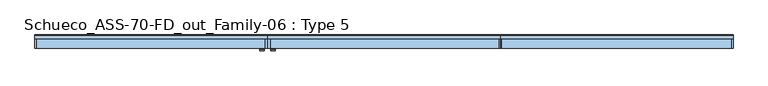
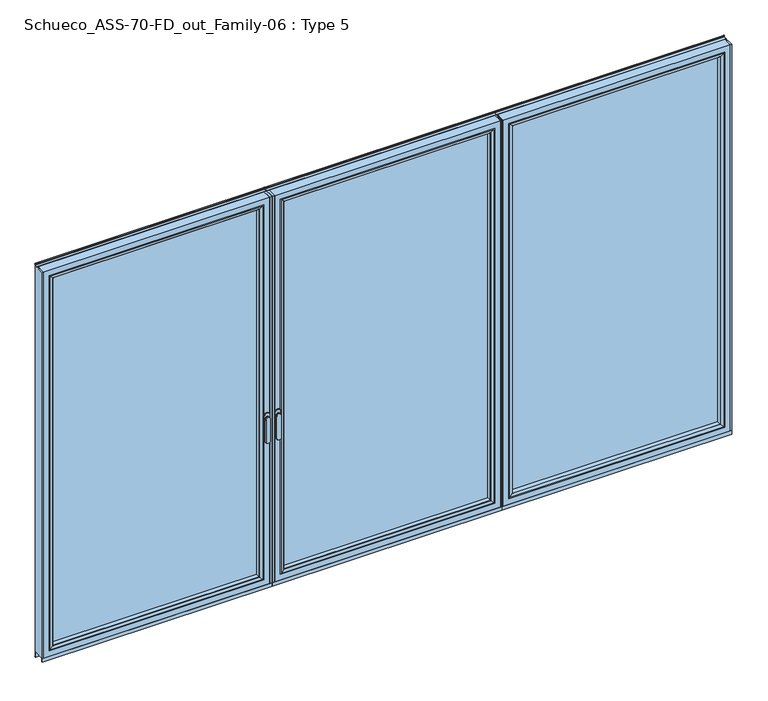
"""IFC4 building model written with IfcOpenShell, lengths in millimetres: window geometry, Schueco_ASS-70-FD_out_Family-06 : Type 5."""

from ifc_helpers import new_model, si_unit, point, frame, frame_2d, origin, place, context, project, spatial, polyline, circle_curve, ellipse_curve, trimmed, segment, composite_curve, outline, extrude, source, transform, mapped, element, save
from ifc_brep_helpers import plane_surface, cylinder_surface, extruded_surface, advanced_brep


def schueco_ass_70_fd_out_family_06_type_5_b85da7ad(model_context):
    return source(origin(), model_context, "Body", "SolidModel", [
        advanced_brep(
        [(42.2886308, -73.5, 1050.0), (18.3113692, -73.5, 1050.0), (42.2886308, -76.8965533, 1050.0), (18.3113692, -76.8965533, 1050.0), (42.2886308, -84.5, 1050.0), (18.3113692, -84.5, 1050.0), (18.3113692, -84.5, 918.6867153), (42.2886308, -84.5, 918.6867153), (42.2886308, -76.8965533, 918.6867153), (18.3113692, -76.8965533, 918.6867153)],
        [
            (0, 1, circle_curve(frame((30.3, -73.5, 1050.0), z_axis=(0.0, 1.0, 0.0), x_axis=(-1.0, 0.0, 0.0)), 11.9886308)),
            (1, 0, circle_curve(frame((30.3, -73.5, 1050.0), z_axis=(0.0, 1.0, 0.0), x_axis=(-1.0, 0.0, 0.0)), 11.9886308)),
            (0, 2),
            (2, 3, circle_curve(frame((30.3, -76.8965533, 1050.0), z_axis=(0.0, 1.0, 0.0), x_axis=(-1.0, 0.0, 0.0)), 11.9886308)),
            (3, 1),
            (3, 2, circle_curve(frame((30.3, -76.8965533, 1050.0), z_axis=(0.0, 1.0, 0.0), x_axis=(-1.0, 0.0, 0.0)), 11.9886308)),
            (4, 5, circle_curve(frame((30.3, -84.5, 1050.0), z_axis=(0.0, -1.0, 0.0), x_axis=(-1.0, 0.0, 0.0)), 11.9886308)),
            (5, 6),
            (6, 7, ellipse_curve(frame((30.3, -84.5, 918.6867153), z_axis=(0.0, -1.0, 0.0), x_axis=(1.0, 0.0, 0.0)), 11.9886308, 7.9050795)),
            (7, 4),
            (2, 8),
            (8, 9, ellipse_curve(frame((30.3, -76.8965533, 918.6867153), z_axis=(0.0, 1.0, 0.0), x_axis=(1.0, 0.0, 0.0)), 11.9886308, 7.9050795)),
            (9, 3),
            (7, 8),
            (2, 4),
            (6, 9),
            (5, 3),
        ],
        [
            plane_surface(frame((18.3113692, -73.5, 1050.0), z_axis=(0.0, 1.0, 0.0), x_axis=(0.0, 0.0, -1.0))),
            cylinder_surface(frame((30.3, -73.5, 1050.0), z_axis=(0.0, -1.0, 0.0), x_axis=(-1.0, 0.0, 0.0)), 11.9886308),
            plane_surface(frame((42.2886308, -84.5, 928.3382074), z_axis=(0.0, -1.0, 0.0), x_axis=(0.0, 0.0, -1.0))),
            plane_surface(frame((42.2886308, -76.8965533, 928.3382074), z_axis=(0.0, 1.0, 0.0), x_axis=(0.0, 0.0, 1.0))),
            plane_surface(frame((42.2886308, -84.5, 1050.0), z_axis=(1.0, 0.0, 0.0), x_axis=(0.0, 1.0, 0.0))),
            extruded_surface(trimmed(ellipse_curve(frame((30.3, -76.8965533, 918.6867153), z_axis=(0.0, 1.0, 0.0), x_axis=(1.0, 0.0, 0.0)), 11.9886308, 7.9050795), [point((42.2886308, -76.8965533, 918.6867153))], [point((18.3113692, -76.8965533, 918.6867153))], True, "CARTESIAN"), (0.0, 7.603446699999992, 0.0), 7.603446699999992),
            plane_surface(frame((18.3113692, -84.5, 918.6867153), z_axis=(-1.0, 0.0, 0.0), x_axis=(0.0, 1.0, 0.0))),
            cylinder_surface(frame((30.3, -76.8965533, 1050.0), z_axis=(0.0, -1.0, 0.0), x_axis=(-1.0, 0.0, 0.0)), 11.9886308),
        ],
        [
            (0, [[1, 2]]),
            (1, [[3, 4, 5, -1]]),
            (1, [[-5, 6, -3, -2]]),
            (2, [[7, 8, 9, 10]]),
            (3, [[-4, 11, 12, 13]]),
            (4, [[14, -11, 15, -10]]),
            (5, [[16, -12, -14, -9]]),
            (6, [[17, -13, -16, -8]]),
            (7, [[-15, -6, -17, -7]]),
        ],
    ),
        extrude(outline(composite_curve([segment(trimmed(circle_curve(frame_2d((1068.75, 30.3)), 14.0), [point((1068.75, 44.3))], [point((1068.75, 16.3))], False, "CARTESIAN"), True, "CONTINUOUS"), segment(polyline([(1068.75, 16.3), (1031.25, 16.3)]), True, "CONTINUOUS"), segment(trimmed(circle_curve(frame_2d((1031.25, 30.3)), 14.0), [point((1031.25, 16.3))], [point((1031.25, 44.3))], False, "CARTESIAN"), True, "CONTINUOUS"), segment(polyline([(1031.25, 44.3), (1068.75, 44.3)]), True, "CONTINUOUS")], self_intersect=False)), frame((0.0, -73.5, 0.0), z_axis=(0.0, 1.0, 0.0), x_axis=(0.0, 0.0, 1.0)), (0.0, 0.0, 1.0), 3.5),
        extrude(outline(polyline([(1272.9333333, 0.0), (1272.9333333, -70.0), (1266.9333333, -70.0), (1266.9333333, 0.0), (1272.9333333, 0.0)])), frame((0.0, 0.0, 75.0), z_axis=(0.0, 0.0, 1.0), x_axis=(1.0, 0.0, 0.0)), (0.0, 0.0, 1.0), 2262.0),
        extrude(outline(polyline([(0.0, 0.0), (14.3, 0.0), (14.3, -70.0), (0.0, -70.0), (0.0, 0.0)])), frame((0.0, 0.0, 75.0), z_axis=(0.0, 0.0, 1.0), x_axis=(1.0, 0.0, 0.0)), (0.0, 0.0, 1.0), 2262.0),
        extrude(outline(polyline([(1234.9333333, -13.999939), (1234.9333333, -37.9928974), (46.3, -37.9928974), (46.3, -13.999939), (1234.9333333, -13.999939)])), frame((0.0, 0.0, 107.0), z_axis=(0.0, 0.0, 1.0), x_axis=(1.0, 0.0, 0.0)), (0.0, 0.0, 1.0), 2198.0),
        advanced_brep(
        [(68.2995728, -64.5552044, 2283.0004272), (68.2995728, -64.5552044, 128.9995728), (68.2995728, -37.9928974, 128.9995728), (68.2995728, -37.9928974, 2283.0004272), (46.3, -37.9928974, 2305.0), (1234.9333333, -37.9928974, 2305.0), (1234.9333333, -37.9928974, 107.0), (46.3, -37.9928974, 107.0), (1212.9337606, -37.9928974, 2283.0004272), (1212.9337606, -37.9928974, 128.9995728), (1212.9337606, -64.5552044, 128.9995728), (67.5900293, -65.8045072, 2283.7099707), (67.5900293, -65.8045072, 128.2900293), (1213.643304, -65.8045072, 128.2900293), (52.299939, -70.0, 2299.000061), (52.299939, -70.0, 112.999939), (1228.9333944, -70.0, 112.999939), (1234.9333333, -70.0, 2305.0), (46.3, -70.0, 2305.0), (46.3, -70.0, 107.0), (1234.9333333, -70.0, 107.0), (1228.9333944, -70.0, 2299.000061), (1212.9337606, -64.5552044, 2283.0004272), (1213.643304, -65.8045072, 2283.7099707)],
        [
            (0, 1),
            (1, 2),
            (2, 3),
            (3, 0),
            (4, 5),
            (5, 6),
            (6, 7),
            (7, 4),
            (8, 3),
            (2, 9),
            (9, 8),
            (1, 10),
            (10, 9),
            (11, 12),
            (12, 1, ellipse_curve(frame((66.8449688, -64.5552044, 127.5449688), z_axis=(-0.7071067811865475, 0.0, 0.7071067811865475), x_axis=(0.7071067811865474, 0.0, 0.7071067811865476)), 2.0571207, 1.454604)),
            (0, 11, ellipse_curve(frame((66.8449688, -64.5552044, 2284.4550312), z_axis=(-0.7071067811865475, 0.0, -0.7071067811865475), x_axis=(-0.7071067811865474, 0.0, 0.7071067811865476)), 2.0571207, 1.454604)),
            (12, 13),
            (13, 10, ellipse_curve(frame((1214.3883645, -64.5552044, 127.5449688), z_axis=(-0.7071067811865475, 0.0, -0.7071067811865475), x_axis=(-0.7071067811865476, 0.0, 0.7071067811865474)), 2.0571207, 1.454604)),
            (14, 15),
            (15, 12, ellipse_curve(frame((52.3638746, -40.2735922, 113.0638746), z_axis=(-0.7071067811865475, 0.0, 0.7071067811865475), x_axis=(0.7071067811865474, 0.0, 0.7071067811865476)), 42.0395863, 29.7264765)),
            (11, 14, ellipse_curve(frame((52.3638746, -40.2735922, 2298.9361254), z_axis=(-0.7071067811865475, 0.0, -0.7071067811865475), x_axis=(-0.7071067811865474, 0.0, 0.7071067811865476)), 42.0395863, 29.7264765)),
            (15, 16),
            (16, 13, ellipse_curve(frame((1228.8694588, -40.2735922, 113.0638746), z_axis=(-0.7071067811865475, 0.0, -0.7071067811865475), x_axis=(-0.7071067811865476, 0.0, 0.7071067811865474)), 42.0395863, 29.7264765)),
            (17, 18),
            (18, 19),
            (19, 20),
            (20, 17),
            (14, 21),
            (21, 16),
            (7, 19),
            (18, 4),
            (6, 20),
            (10, 22),
            (22, 8),
            (13, 23),
            (23, 22, ellipse_curve(frame((1214.3883645, -64.5552044, 2284.4550312), z_axis=(0.7071067811865475, 0.0, -0.7071067811865475), x_axis=(-0.7071067811865474, 0.0, -0.7071067811865476)), 2.0571207, 1.454604)),
            (21, 23, ellipse_curve(frame((1228.8694588, -40.2735922, 2298.9361254), z_axis=(0.7071067811865475, 0.0, -0.7071067811865475), x_axis=(-0.7071067811865474, 0.0, -0.7071067811865476)), 42.0395863, 29.7264765)),
            (5, 17),
            (22, 0),
            (23, 11),
        ],
        [
            plane_surface(frame((68.2995728, -37.9928974, 2283.0004272), z_axis=(1.0, 0.0, 0.0), x_axis=(0.0, 0.0, -1.0))),
            plane_surface(frame((1234.9333333, -37.9928974, 107.0), z_axis=(0.0, 1.0, 0.0), x_axis=(0.0, 0.0, 1.0))),
            plane_surface(frame((68.2995728, -37.9928974, 128.9995728), z_axis=(0.0, 0.0, 1.0), x_axis=(1.0, 0.0, 0.0))),
            cylinder_surface(frame((66.8449688, -64.5552044, 2283.0004272), z_axis=(0.0, 0.0, 1.0), x_axis=(-1.0, 0.0, 0.0)), 1.454604),
            cylinder_surface(frame((68.2995728, -64.5552044, 127.5449688), z_axis=(-1.0, 0.0, 0.0), x_axis=(0.0, 0.0, -1.0)), 1.454604),
            cylinder_surface(frame((52.3638746, -40.2735922, 2283.0004272), z_axis=(0.0, 0.0, 1.0), x_axis=(-1.0, 0.0, 0.0)), 29.7264765),
            cylinder_surface(frame((68.2995728, -40.2735922, 113.0638746), z_axis=(-1.0, 0.0, 0.0), x_axis=(0.0, 0.0, -1.0)), 29.7264765),
            plane_surface(frame((1228.9333944, -70.0, 112.999939), z_axis=(0.0, -1.0, 0.0), x_axis=(0.0, 0.0, 1.0))),
            plane_surface(frame((46.3, -70.0, 2305.0), z_axis=(-1.0, 0.0, 0.0), x_axis=(0.0, 0.0, -1.0))),
            plane_surface(frame((46.3, -70.0, 107.0), z_axis=(0.0, 0.0, -1.0), x_axis=(1.0, 0.0, 0.0))),
            plane_surface(frame((1212.9337606, -37.9928974, 128.9995728), z_axis=(-1.0, 0.0, 0.0), x_axis=(0.0, 0.0, 1.0))),
            cylinder_surface(frame((1214.3883645, -64.5552044, 128.9995728), z_axis=(0.0, 0.0, -1.0), x_axis=(1.0, 0.0, 0.0)), 1.454604),
            cylinder_surface(frame((1228.8694588, -40.2735922, 128.9995728), z_axis=(0.0, 0.0, -1.0), x_axis=(1.0, 0.0, 0.0)), 29.7264765),
            plane_surface(frame((1234.9333333, -70.0, 107.0), z_axis=(1.0, 0.0, 0.0), x_axis=(0.0, 0.0, 1.0))),
            plane_surface(frame((1212.9337606, -37.9928974, 2283.0004272), z_axis=(0.0, 0.0, -1.0), x_axis=(-1.0, 0.0, 0.0))),
            cylinder_surface(frame((1212.9337606, -64.5552044, 2284.4550312), z_axis=(1.0, 0.0, 0.0), x_axis=(0.0, 0.0, 1.0)), 1.454604),
            cylinder_surface(frame((1212.9337606, -40.2735922, 2298.9361254), z_axis=(1.0, 0.0, 0.0), x_axis=(0.0, 0.0, 1.0)), 29.7264765),
            plane_surface(frame((1234.9333333, -70.0, 2305.0), z_axis=(0.0, 0.0, 1.0), x_axis=(-1.0, 0.0, 0.0))),
        ],
        [
            (0, [[1, 2, 3, 4]]),
            (1, [[5, 6, 7, 8], [9, -3, 10, 11]]),
            (2, [[12, 13, -10, -2]]),
            (3, [[14, 15, -1, 16]]),
            (4, [[17, 18, -12, -15]]),
            (5, [[19, 20, -14, 21]]),
            (6, [[22, 23, -17, -20]]),
            (7, [[24, 25, 26, 27], [28, 29, -22, -19]]),
            (8, [[-8, 30, -25, 31]]),
            (9, [[-7, 32, -26, -30]]),
            (10, [[33, 34, -11, -13]]),
            (11, [[35, 36, -33, -18]]),
            (12, [[-29, 37, -35, -23]]),
            (13, [[-6, 38, -27, -32]]),
            (14, [[39, -4, -9, -34]]),
            (15, [[40, -16, -39, -36]]),
            (16, [[-28, -21, -40, -37]]),
            (17, [[-5, -31, -24, -38]]),
        ],
    ),
        advanced_brep(
        [(1266.9333333, -70.0, 2337.0), (1266.9333333, -70.0, 75.0), (1266.9333333, 0.0, 75.0), (1266.9333333, 0.0, 2337.0), (14.3, -70.0, 75.0), (14.3, 0.0, 75.0), (14.3, 0.0, 2337.0), (63.7991901, 0.0, 124.4991901), (1217.4341433, 0.0, 124.4991901), (1217.4341433, 0.0, 2287.5008099), (63.7991901, 0.0, 2287.5008099), (14.3, -70.0, 2337.0), (1234.9333333, -70.0, 107.0), (46.3, -70.0, 107.0), (46.3, -70.0, 2305.0), (1234.9333333, -70.0, 2305.0), (1234.9333333, -13.999939, 2305.0), (1234.9333333, -13.999939, 107.0), (46.3, -13.999939, 107.0), (46.3, -13.999939, 2305.0), (1212.9337606, -13.999939, 128.9995728), (68.2995728, -13.999939, 128.9995728), (68.2995728, -13.999939, 2283.0004272), (1212.9337606, -13.999939, 2283.0004272), (1212.9337606, -4.5004435, 2283.0004272), (1212.9337606, -4.5004435, 128.9995728), (68.2995728, -4.5004435, 128.9995728), (68.2995728, -4.5004435, 2283.0004272)],
        [
            (0, 1),
            (1, 2),
            (2, 3),
            (3, 0),
            (1, 4),
            (4, 5),
            (5, 2),
            (5, 6),
            (6, 3),
            (7, 8),
            (8, 9),
            (9, 10),
            (10, 7),
            (4, 11),
            (11, 6),
            (0, 11),
            (12, 13),
            (13, 14),
            (14, 15),
            (15, 12),
            (16, 17),
            (17, 12),
            (15, 16),
            (17, 18),
            (18, 13),
            (18, 19),
            (19, 14),
            (16, 19),
            (20, 21),
            (21, 22),
            (22, 23),
            (23, 20),
            (24, 25),
            (25, 20),
            (23, 24),
            (25, 26),
            (26, 21),
            (26, 27),
            (27, 22),
            (7, 26, ellipse_curve(frame((63.7991901, -4.5004435, 124.4991901), z_axis=(0.7071067811865475, 0.0, -0.7071067811865475), x_axis=(0.7071067811865476, 0.0, 0.7071067811865474)), 6.3645023, 4.5003827)),
            (25, 8, ellipse_curve(frame((1217.4341433, -4.5004435, 124.4991901), z_axis=(-0.7071067811865475, 0.0, -0.7071067811865475), x_axis=(0.7071067811865476, 0.0, -0.7071067811865474)), 6.3645023, 4.5003827)),
            (24, 9, ellipse_curve(frame((1217.4341433, -4.5004435, 2287.5008099), z_axis=(0.7071067811865475, 0.0, -0.7071067811865475), x_axis=(0.7071067811865474, 0.0, 0.7071067811865476)), 6.3645023, 4.5003827)),
            (10, 27, ellipse_curve(frame((63.7991901, -4.5004435, 2287.5008099), z_axis=(-0.7071067811865475, 0.0, -0.7071067811865475), x_axis=(0.7071067811865474, 0.0, -0.7071067811865476)), 6.3645023, 4.5003827)),
            (27, 24),
        ],
        [
            plane_surface(frame((1266.9333333, 0.0, 2337.0), z_axis=(1.0, 0.0, 0.0), x_axis=(0.0, 0.0, -1.0))),
            plane_surface(frame((1266.9333333, 0.0, 75.0), z_axis=(0.0, 0.0, -1.0), x_axis=(-1.0, 0.0, 0.0))),
            plane_surface(frame((1217.4341433, 0.0, 2287.5008099), z_axis=(0.0, 1.0, 0.0), x_axis=(0.0, 0.0, -1.0))),
            plane_surface(frame((14.3, 0.0, 75.0), z_axis=(-1.0, 0.0, 0.0), x_axis=(0.0, 0.0, 1.0))),
            plane_surface(frame((1266.9333333, -70.0, 2337.0), z_axis=(0.0, -1.0, 0.0), x_axis=(0.0, 0.0, -1.0))),
            plane_surface(frame((1234.9333333, -70.0, 2305.0), z_axis=(-1.0, 0.0, 0.0), x_axis=(0.0, 0.0, -1.0))),
            plane_surface(frame((1234.9333333, -70.0, 107.0), z_axis=(0.0, 0.0, 1.0), x_axis=(-1.0, 0.0, 0.0))),
            plane_surface(frame((46.3, -70.0, 107.0), z_axis=(1.0, 0.0, 0.0), x_axis=(0.0, 0.0, 1.0))),
            plane_surface(frame((1234.9333333, -13.999939, 2305.0), z_axis=(0.0, -1.0, 0.0), x_axis=(0.0, 0.0, -1.0))),
            plane_surface(frame((1212.9337606, -13.999939, 2283.0004272), z_axis=(-1.0, 0.0, 0.0), x_axis=(0.0, 0.0, -1.0))),
            plane_surface(frame((1212.9337606, -13.999939, 128.9995728), z_axis=(0.0, 0.0, 1.0), x_axis=(-1.0, 0.0, 0.0))),
            plane_surface(frame((68.2995728, -13.999939, 128.9995728), z_axis=(1.0, 0.0, 0.0), x_axis=(0.0, 0.0, 1.0))),
            cylinder_surface(frame((1272.9333333, -4.5004435, 124.4991901), z_axis=(1.0, 0.0, 0.0), x_axis=(0.0, -1.0, 0.0)), 4.5003827),
            cylinder_surface(frame((1217.4341433, -4.5004435, 2343.0), z_axis=(0.0, 0.0, 1.0), x_axis=(0.0, -1.0, 0.0)), 4.5003827),
            cylinder_surface(frame((63.7991901, -4.5004435, 69.0), z_axis=(0.0, 0.0, -1.0), x_axis=(0.0, -1.0, 0.0)), 4.5003827),
            plane_surface(frame((14.3, 0.0, 2337.0), z_axis=(0.0, 0.0, 1.0), x_axis=(1.0, 0.0, 0.0))),
            plane_surface(frame((46.3, -70.0, 2305.0), z_axis=(0.0, 0.0, -1.0), x_axis=(1.0, 0.0, 0.0))),
            plane_surface(frame((68.2995728, -13.999939, 2283.0004272), z_axis=(0.0, 0.0, -1.0), x_axis=(1.0, 0.0, 0.0))),
            cylinder_surface(frame((8.3, -4.5004435, 2287.5008099), z_axis=(-1.0, 0.0, 0.0), x_axis=(0.0, -1.0, 0.0)), 4.5003827),
        ],
        [
            (0, [[1, 2, 3, 4]]),
            (1, [[5, 6, 7, -2]]),
            (2, [[-7, 8, 9, -3], [10, 11, 12, 13]]),
            (3, [[14, 15, -8, -6]]),
            (4, [[-5, -1, 16, -14], [17, 18, 19, 20]]),
            (5, [[21, 22, -20, 23]]),
            (6, [[24, 25, -17, -22]]),
            (7, [[26, 27, -18, -25]]),
            (8, [[-24, -21, 28, -26], [29, 30, 31, 32]]),
            (9, [[33, 34, -32, 35]]),
            (10, [[36, 37, -29, -34]]),
            (11, [[38, 39, -30, -37]]),
            (12, [[-10, 40, -36, 41]]),
            (13, [[-11, -41, -33, 42]]),
            (14, [[-13, 43, -38, -40]]),
            (15, [[-16, -4, -9, -15]]),
            (16, [[-28, -23, -19, -27]]),
            (17, [[44, -35, -31, -39]]),
            (18, [[-12, -42, -44, -43]]),
        ],
    ),
        extrude(outline(polyline([(1272.9333333, -70.0), (0.0, -70.0), (0.0, -62.3999924), (1272.9333333, -62.3999924), (1272.9333333, -70.0)])), frame((0.0, 0.0, 52.9995117), z_axis=(0.0, 0.0, 1.0), x_axis=(1.0, 0.0, 0.0)), (0.0, 0.0, 1.0), 22.0004883),
        extrude(outline(composite_curve([segment(polyline([(0.0, 45.0), (-7.7242502, 45.0), (-7.7242502, 75.0), (0.0, 75.0), (0.0, 52.4754501), (1.8566157, 46.0621453)]), True, "CONTINUOUS"), segment(trimmed(circle_curve(frame_2d((-0.0645022, 45.5059925)), 2.0), [point((1.8566157, 46.0621453))], [point((1.8670103, 44.9870904))], False, "CARTESIAN"), True, "CONTINUOUS"), segment(polyline([(1.8670103, 44.9870904), (0.8737, 41.2896854), (0.0, 41.2896854), (0.0, 45.0)]), True, "CONTINUOUS")], self_intersect=False)), frame((0.0, 0.0, 0.0), z_axis=(1.0, 0.0, 0.0), x_axis=(0.0, 1.0, 0.0)), (0.0, 0.0, 1.0), 1272.9333333),
        extrude(outline(composite_curve([segment(polyline([(-17.955674, 2339.1400778), (-1.3636404, 2339.1400778), (0.0, 2342.963961), (0.0, 2348.6420698), (0.8937897, 2348.6420698), (1.8738669, 2344.9939222)]), True, "CONTINUOUS"), segment(trimmed(circle_curve(frame_2d((-0.0576456, 2344.4750201)), 2.0), [point((1.8738669, 2344.9939222))], [point((1.8735116, 2343.9547971))], False, "CARTESIAN"), True, "CONTINUOUS"), segment(polyline([(1.8735116, 2343.9547971), (0.0, 2337.0), (-17.955674, 2337.0), (-17.955674, 2339.1400778)]), True, "CONTINUOUS")], self_intersect=False)), frame((0.0, 0.0, 0.0), z_axis=(1.0, 0.0, 0.0), x_axis=(0.0, 1.0, 0.0)), (0.0, 0.0, 1.0), 1272.9333333),
        advanced_brep(
        [(-42.2886308, -73.5, 1050.0), (-18.3113692, -73.5, 1050.0), (-18.3113692, -76.8965533, 1050.0), (-42.2886308, -76.8965533, 1050.0), (-42.2886308, -84.5, 1050.0), (-42.2886308, -84.5, 918.6867153), (-18.3113692, -84.5, 918.6867153), (-18.3113692, -84.5, 1050.0), (-18.3113692, -76.8965533, 918.6867153), (-42.2886308, -76.8965533, 918.6867153)],
        [
            (0, 1, circle_curve(frame((-30.3, -73.5, 1050.0), z_axis=(0.0, 1.0, 0.0), x_axis=(1.0, 0.0, 0.0)), 11.9886308)),
            (1, 0, circle_curve(frame((-30.3, -73.5, 1050.0), z_axis=(0.0, 1.0, 0.0), x_axis=(1.0, 0.0, 0.0)), 11.9886308)),
            (1, 2),
            (2, 3, circle_curve(frame((-30.3, -76.8965533, 1050.0), z_axis=(0.0, 1.0, 0.0), x_axis=(1.0, 0.0, 0.0)), 11.9886308)),
            (3, 0),
            (3, 2, circle_curve(frame((-30.3, -76.8965533, 1050.0), z_axis=(0.0, 1.0, 0.0), x_axis=(1.0, 0.0, 0.0)), 11.9886308)),
            (4, 5),
            (5, 6, ellipse_curve(frame((-30.3, -84.5, 918.6867153), z_axis=(0.0, -1.0, 0.0), x_axis=(-1.0, 0.0, 0.0)), 11.9886308, 7.9050795)),
            (6, 7),
            (7, 4, circle_curve(frame((-30.3, -84.5, 1050.0), z_axis=(0.0, -1.0, 0.0), x_axis=(1.0, 0.0, 0.0)), 11.9886308)),
            (2, 8),
            (8, 9, ellipse_curve(frame((-30.3, -76.8965533, 918.6867153), z_axis=(0.0, 1.0, 0.0), x_axis=(-1.0, 0.0, 0.0)), 11.9886308, 7.9050795)),
            (9, 3),
            (4, 3),
            (9, 5),
            (8, 6),
            (2, 7),
        ],
        [
            plane_surface(frame((-18.3113692, -73.5, 1050.0), z_axis=(0.0, 1.0, 0.0), x_axis=(0.0, 0.0, -1.0))),
            cylinder_surface(frame((-30.3, -73.5, 1050.0), z_axis=(0.0, -1.0, 0.0), x_axis=(1.0, 0.0, 0.0)), 11.9886308),
            plane_surface(frame((-42.2886308, -84.5, 928.3382074), z_axis=(0.0, -1.0, 0.0), x_axis=(0.0, 0.0, -1.0))),
            plane_surface(frame((-42.2886308, -76.8965533, 928.3382074), z_axis=(0.0, 1.0, 0.0), x_axis=(0.0, 0.0, 1.0))),
            plane_surface(frame((-42.2886308, -84.5, 1050.0), z_axis=(-1.0, 0.0, 0.0), x_axis=(0.0, 1.0, 0.0))),
            extruded_surface(trimmed(ellipse_curve(frame((-30.3, -69.2931066, 918.6867153), z_axis=(0.0, -1.0, 0.0), x_axis=(-1.0, 0.0, 0.0)), 11.9886308, 7.9050795), [point((-42.2886308, -69.2931066, 918.6867153))], [point((-18.3113692, -69.2931066, 918.6867153))], True, "CARTESIAN"), (0.0, -7.603446699999992, 0.0), 7.603446699999992),
            plane_surface(frame((-18.3113692, -84.5, 918.6867153), z_axis=(1.0, 0.0, 0.0), x_axis=(0.0, 1.0, 0.0))),
            cylinder_surface(frame((-30.3, -76.8965533, 1050.0), z_axis=(0.0, -1.0, 0.0), x_axis=(1.0, 0.0, 0.0)), 11.9886308),
        ],
        [
            (0, [[1, 2]]),
            (1, [[-2, 3, 4, 5]]),
            (1, [[-1, -5, 6, -3]]),
            (2, [[7, 8, 9, 10]]),
            (3, [[11, 12, 13, -4]]),
            (4, [[-7, 14, -13, 15]]),
            (5, [[-8, -15, -12, 16]]),
            (6, [[-9, -16, -11, 17]]),
            (7, [[-10, -17, -6, -14]]),
        ],
    ),
        extrude(outline(composite_curve([segment(polyline([(1068.75, -44.3), (1031.25, -44.3)]), True, "CONTINUOUS"), segment(trimmed(circle_curve(frame_2d((1031.25, -30.3)), 14.0), [point((1031.25, -44.3))], [point((1031.25, -16.3))], False, "CARTESIAN"), True, "CONTINUOUS"), segment(polyline([(1031.25, -16.3), (1068.75, -16.3)]), True, "CONTINUOUS"), segment(trimmed(circle_curve(frame_2d((1068.75, -30.3)), 14.0), [point((1068.75, -16.3))], [point((1068.75, -44.3))], False, "CARTESIAN"), True, "CONTINUOUS")], self_intersect=False)), frame((0.0, -73.5, 0.0), z_axis=(0.0, 1.0, 0.0), x_axis=(0.0, 0.0, 1.0)), (0.0, 0.0, 1.0), 3.5),
        extrude(outline(polyline([(-1272.9333333, 0.0), (-1266.9333333, 0.0), (-1266.9333333, -70.0), (-1272.9333333, -70.0), (-1272.9333333, 0.0)])), frame((0.0, 0.0, 75.0), z_axis=(0.0, 0.0, 1.0), x_axis=(1.0, 0.0, 0.0)), (0.0, 0.0, 1.0), 2262.0),
        extrude(outline(polyline([(0.0, 0.0), (0.0, -70.0), (-14.3, -70.0), (-14.3, 0.0), (0.0, 0.0)])), frame((0.0, 0.0, 75.0), z_axis=(0.0, 0.0, 1.0), x_axis=(1.0, 0.0, 0.0)), (0.0, 0.0, 1.0), 2262.0),
        extrude(outline(polyline([(-1234.9333333, -13.999939), (-46.3, -13.999939), (-46.3, -37.9928974), (-1234.9333333, -37.9928974), (-1234.9333333, -13.999939)])), frame((0.0, 0.0, 107.0), z_axis=(0.0, 0.0, 1.0), x_axis=(1.0, 0.0, 0.0)), (0.0, 0.0, 1.0), 2198.0),
        advanced_brep(
        [(-68.2995728, -64.5552044, 2283.0004272), (-68.2995728, -37.9928974, 2283.0004272), (-68.2995728, -37.9928974, 128.9995728), (-68.2995728, -64.5552044, 128.9995728), (-46.3, -37.9928974, 2305.0), (-46.3, -37.9928974, 107.0), (-1234.9333333, -37.9928974, 107.0), (-1234.9333333, -37.9928974, 2305.0), (-1212.9337606, -37.9928974, 2283.0004272), (-1212.9337606, -37.9928974, 128.9995728), (-1212.9337606, -64.5552044, 128.9995728), (-67.5900293, -65.8045072, 2283.7099707), (-67.5900293, -65.8045072, 128.2900293), (-1213.643304, -65.8045072, 128.2900293), (-52.299939, -70.0, 2299.000061), (-52.299939, -70.0, 112.999939), (-1228.9333944, -70.0, 112.999939), (-1234.9333333, -70.0, 2305.0), (-1234.9333333, -70.0, 107.0), (-46.3, -70.0, 107.0), (-46.3, -70.0, 2305.0), (-1228.9333944, -70.0, 2299.000061), (-1212.9337606, -64.5552044, 2283.0004272), (-1213.643304, -65.8045072, 2283.7099707)],
        [
            (0, 1),
            (1, 2),
            (2, 3),
            (3, 0),
            (4, 5),
            (5, 6),
            (6, 7),
            (7, 4),
            (8, 9),
            (9, 2),
            (1, 8),
            (9, 10),
            (10, 3),
            (11, 0, ellipse_curve(frame((-66.8449688, -64.5552044, 2284.4550312), z_axis=(0.7071067811865475, 0.0, -0.7071067811865475), x_axis=(0.7071067811865474, 0.0, 0.7071067811865476)), 2.0571207, 1.454604)),
            (3, 12, ellipse_curve(frame((-66.8449688, -64.5552044, 127.5449688), z_axis=(0.7071067811865475, 0.0, 0.7071067811865475), x_axis=(-0.7071067811865474, 0.0, 0.7071067811865476)), 2.0571207, 1.454604)),
            (12, 11),
            (10, 13, ellipse_curve(frame((-1214.3883645, -64.5552044, 127.5449688), z_axis=(0.7071067811865475, 0.0, -0.7071067811865475), x_axis=(0.7071067811865476, 0.0, 0.7071067811865474)), 2.0571207, 1.454604)),
            (13, 12),
            (14, 11, ellipse_curve(frame((-52.3638746, -40.2735922, 2298.9361254), z_axis=(0.7071067811865475, 0.0, -0.7071067811865475), x_axis=(0.7071067811865474, 0.0, 0.7071067811865476)), 42.0395863, 29.7264765)),
            (12, 15, ellipse_curve(frame((-52.3638746, -40.2735922, 113.0638746), z_axis=(0.7071067811865475, 0.0, 0.7071067811865475), x_axis=(-0.7071067811865474, 0.0, 0.7071067811865476)), 42.0395863, 29.7264765)),
            (15, 14),
            (13, 16, ellipse_curve(frame((-1228.8694588, -40.2735922, 113.0638746), z_axis=(0.7071067811865475, 0.0, -0.7071067811865475), x_axis=(0.7071067811865476, 0.0, 0.7071067811865474)), 42.0395863, 29.7264765)),
            (16, 15),
            (17, 18),
            (18, 19),
            (19, 20),
            (20, 17),
            (16, 21),
            (21, 14),
            (4, 20),
            (19, 5),
            (18, 6),
            (8, 22),
            (22, 10),
            (22, 23, ellipse_curve(frame((-1214.3883645, -64.5552044, 2284.4550312), z_axis=(-0.7071067811865475, 0.0, -0.7071067811865475), x_axis=(0.7071067811865474, 0.0, -0.7071067811865476)), 2.0571207, 1.454604)),
            (23, 13),
            (23, 21, ellipse_curve(frame((-1228.8694588, -40.2735922, 2298.9361254), z_axis=(-0.7071067811865475, 0.0, -0.7071067811865475), x_axis=(0.7071067811865474, 0.0, -0.7071067811865476)), 42.0395863, 29.7264765)),
            (17, 7),
            (0, 22),
            (11, 23),
        ],
        [
            plane_surface(frame((-68.2995728, -37.9928974, 2283.0004272), z_axis=(-1.0, 0.0, 0.0), x_axis=(0.0, 0.0, -1.0))),
            plane_surface(frame((-1234.9333333, -37.9928974, 107.0), z_axis=(0.0, 1.0, 0.0), x_axis=(0.0, 0.0, 1.0))),
            plane_surface(frame((-68.2995728, -37.9928974, 128.9995728), z_axis=(0.0, 0.0, 1.0), x_axis=(-1.0, 0.0, 0.0))),
            cylinder_surface(frame((-66.8449688, -64.5552044, 2283.0004272), z_axis=(0.0, 0.0, 1.0), x_axis=(1.0, 0.0, 0.0)), 1.454604),
            cylinder_surface(frame((-68.2995728, -64.5552044, 127.5449688), z_axis=(1.0, 0.0, 0.0), x_axis=(0.0, 0.0, -1.0)), 1.454604),
            cylinder_surface(frame((-52.3638746, -40.2735922, 2283.0004272), z_axis=(0.0, 0.0, 1.0), x_axis=(1.0, 0.0, 0.0)), 29.7264765),
            cylinder_surface(frame((-68.2995728, -40.2735922, 113.0638746), z_axis=(1.0, 0.0, 0.0), x_axis=(0.0, 0.0, -1.0)), 29.7264765),
            plane_surface(frame((-1228.9333944, -70.0, 112.999939), z_axis=(0.0, -1.0, 0.0), x_axis=(0.0, 0.0, 1.0))),
            plane_surface(frame((-46.3, -70.0, 2305.0), z_axis=(1.0, 0.0, 0.0), x_axis=(0.0, 0.0, -1.0))),
            plane_surface(frame((-46.3, -70.0, 107.0), z_axis=(0.0, 0.0, -1.0), x_axis=(-1.0, 0.0, 0.0))),
            plane_surface(frame((-1212.9337606, -37.9928974, 128.9995728), z_axis=(1.0, 0.0, 0.0), x_axis=(0.0, 0.0, 1.0))),
            cylinder_surface(frame((-1214.3883645, -64.5552044, 128.9995728), z_axis=(0.0, 0.0, -1.0), x_axis=(-1.0, 0.0, 0.0)), 1.454604),
            cylinder_surface(frame((-1228.8694588, -40.2735922, 128.9995728), z_axis=(0.0, 0.0, -1.0), x_axis=(-1.0, 0.0, 0.0)), 29.7264765),
            plane_surface(frame((-1234.9333333, -70.0, 107.0), z_axis=(-1.0, 0.0, 0.0), x_axis=(0.0, 0.0, 1.0))),
            plane_surface(frame((-1212.9337606, -37.9928974, 2283.0004272), z_axis=(0.0, 0.0, -1.0), x_axis=(1.0, 0.0, 0.0))),
            cylinder_surface(frame((-1212.9337606, -64.5552044, 2284.4550312), z_axis=(-1.0, 0.0, 0.0), x_axis=(0.0, 0.0, 1.0)), 1.454604),
            cylinder_surface(frame((-1212.9337606, -40.2735922, 2298.9361254), z_axis=(-1.0, 0.0, 0.0), x_axis=(0.0, 0.0, 1.0)), 29.7264765),
            plane_surface(frame((-1234.9333333, -70.0, 2305.0), z_axis=(0.0, 0.0, 1.0), x_axis=(1.0, 0.0, 0.0))),
        ],
        [
            (0, [[1, 2, 3, 4]]),
            (1, [[5, 6, 7, 8], [9, 10, -2, 11]]),
            (2, [[-3, -10, 12, 13]]),
            (3, [[14, -4, 15, 16]]),
            (4, [[-15, -13, 17, 18]]),
            (5, [[19, -16, 20, 21]]),
            (6, [[-20, -18, 22, 23]]),
            (7, [[24, 25, 26, 27], [-21, -23, 28, 29]]),
            (8, [[30, -26, 31, -5]]),
            (9, [[-31, -25, 32, -6]]),
            (10, [[-12, -9, 33, 34]]),
            (11, [[-17, -34, 35, 36]]),
            (12, [[-22, -36, 37, -28]]),
            (13, [[-32, -24, 38, -7]]),
            (14, [[-33, -11, -1, 39]]),
            (15, [[-35, -39, -14, 40]]),
            (16, [[-37, -40, -19, -29]]),
            (17, [[-38, -27, -30, -8]]),
        ],
    ),
        advanced_brep(
        [(-1266.9333333, -70.0, 2337.0), (-1266.9333333, 0.0, 2337.0), (-1266.9333333, 0.0, 75.0), (-1266.9333333, -70.0, 75.0), (-14.3, 0.0, 75.0), (-14.3, -70.0, 75.0), (-14.3, 0.0, 2337.0), (-63.7991901, 0.0, 124.4991901), (-63.7991901, 0.0, 2287.5008099), (-1217.4341433, 0.0, 2287.5008099), (-1217.4341433, 0.0, 124.4991901), (-14.3, -70.0, 2337.0), (-1234.9333333, -70.0, 107.0), (-1234.9333333, -70.0, 2305.0), (-46.3, -70.0, 2305.0), (-46.3, -70.0, 107.0), (-1234.9333333, -13.999939, 2305.0), (-1234.9333333, -13.999939, 107.0), (-46.3, -13.999939, 107.0), (-46.3, -13.999939, 2305.0), (-1212.9337606, -13.999939, 128.9995728), (-1212.9337606, -13.999939, 2283.0004272), (-68.2995728, -13.999939, 2283.0004272), (-68.2995728, -13.999939, 128.9995728), (-1212.9337606, -4.5004435, 2283.0004272), (-1212.9337606, -4.5004435, 128.9995728), (-68.2995728, -4.5004435, 128.9995728), (-68.2995728, -4.5004435, 2283.0004272)],
        [
            (0, 1),
            (1, 2),
            (2, 3),
            (3, 0),
            (2, 4),
            (4, 5),
            (5, 3),
            (1, 6),
            (6, 4),
            (7, 8),
            (8, 9),
            (9, 10),
            (10, 7),
            (6, 11),
            (11, 5),
            (11, 0),
            (12, 13),
            (13, 14),
            (14, 15),
            (15, 12),
            (16, 13),
            (12, 17),
            (17, 16),
            (15, 18),
            (18, 17),
            (14, 19),
            (19, 18),
            (19, 16),
            (20, 21),
            (21, 22),
            (22, 23),
            (23, 20),
            (24, 21),
            (20, 25),
            (25, 24),
            (23, 26),
            (26, 25),
            (22, 27),
            (27, 26),
            (10, 25, ellipse_curve(frame((-1217.4341433, -4.5004435, 124.4991901), z_axis=(0.7071067811865475, 0.0, -0.7071067811865475), x_axis=(-0.7071067811865476, 0.0, -0.7071067811865474)), 6.3645023, 4.5003827)),
            (26, 7, ellipse_curve(frame((-63.7991901, -4.5004435, 124.4991901), z_axis=(-0.7071067811865475, 0.0, -0.7071067811865475), x_axis=(-0.7071067811865476, 0.0, 0.7071067811865474)), 6.3645023, 4.5003827)),
            (9, 24, ellipse_curve(frame((-1217.4341433, -4.5004435, 2287.5008099), z_axis=(-0.7071067811865475, 0.0, -0.7071067811865475), x_axis=(-0.7071067811865474, 0.0, 0.7071067811865476)), 6.3645023, 4.5003827)),
            (27, 8, ellipse_curve(frame((-63.7991901, -4.5004435, 2287.5008099), z_axis=(0.7071067811865475, 0.0, -0.7071067811865475), x_axis=(-0.7071067811865474, 0.0, -0.7071067811865476)), 6.3645023, 4.5003827)),
            (24, 27),
        ],
        [
            plane_surface(frame((-1266.9333333, 0.0, 2337.0), z_axis=(-1.0, 0.0, 0.0), x_axis=(0.0, 0.0, -1.0))),
            plane_surface(frame((-1266.9333333, 0.0, 75.0), z_axis=(0.0, 0.0, -1.0), x_axis=(1.0, 0.0, 0.0))),
            plane_surface(frame((-1217.4341433, 0.0, 2287.5008099), z_axis=(0.0, 1.0, 0.0), x_axis=(0.0, 0.0, -1.0))),
            plane_surface(frame((-14.3, 0.0, 75.0), z_axis=(1.0, 0.0, 0.0), x_axis=(0.0, 0.0, 1.0))),
            plane_surface(frame((-1266.9333333, -70.0, 2337.0), z_axis=(0.0, -1.0, 0.0), x_axis=(0.0, 0.0, -1.0))),
            plane_surface(frame((-1234.9333333, -70.0, 2305.0), z_axis=(1.0, 0.0, 0.0), x_axis=(0.0, 0.0, -1.0))),
            plane_surface(frame((-1234.9333333, -70.0, 107.0), z_axis=(0.0, 0.0, 1.0), x_axis=(1.0, 0.0, 0.0))),
            plane_surface(frame((-46.3, -70.0, 107.0), z_axis=(-1.0, 0.0, 0.0), x_axis=(0.0, 0.0, 1.0))),
            plane_surface(frame((-1234.9333333, -13.999939, 2305.0), z_axis=(0.0, -1.0, 0.0), x_axis=(0.0, 0.0, -1.0))),
            plane_surface(frame((-1212.9337606, -13.999939, 2283.0004272), z_axis=(1.0, 0.0, 0.0), x_axis=(0.0, 0.0, -1.0))),
            plane_surface(frame((-1212.9337606, -13.999939, 128.9995728), z_axis=(0.0, 0.0, 1.0), x_axis=(1.0, 0.0, 0.0))),
            plane_surface(frame((-68.2995728, -13.999939, 128.9995728), z_axis=(-1.0, 0.0, 0.0), x_axis=(0.0, 0.0, 1.0))),
            cylinder_surface(frame((-1272.9333333, -4.5004435, 124.4991901), z_axis=(-1.0, 0.0, 0.0), x_axis=(0.0, -1.0, 0.0)), 4.5003827),
            cylinder_surface(frame((-1217.4341433, -4.5004435, 2343.0), z_axis=(0.0, 0.0, 1.0), x_axis=(0.0, -1.0, 0.0)), 4.5003827),
            cylinder_surface(frame((-63.7991901, -4.5004435, 69.0), z_axis=(0.0, 0.0, -1.0), x_axis=(0.0, -1.0, 0.0)), 4.5003827),
            plane_surface(frame((-14.3, 0.0, 2337.0), z_axis=(0.0, 0.0, 1.0), x_axis=(-1.0, 0.0, 0.0))),
            plane_surface(frame((-46.3, -70.0, 2305.0), z_axis=(0.0, 0.0, -1.0), x_axis=(-1.0, 0.0, 0.0))),
            plane_surface(frame((-68.2995728, -13.999939, 2283.0004272), z_axis=(0.0, 0.0, -1.0), x_axis=(-1.0, 0.0, 0.0))),
            cylinder_surface(frame((-8.3, -4.5004435, 2287.5008099), z_axis=(1.0, 0.0, 0.0), x_axis=(0.0, -1.0, 0.0)), 4.5003827),
        ],
        [
            (0, [[1, 2, 3, 4]]),
            (1, [[-3, 5, 6, 7]]),
            (2, [[-2, 8, 9, -5], [10, 11, 12, 13]]),
            (3, [[-6, -9, 14, 15]]),
            (4, [[-15, 16, -4, -7], [17, 18, 19, 20]]),
            (5, [[21, -17, 22, 23]]),
            (6, [[-22, -20, 24, 25]]),
            (7, [[-24, -19, 26, 27]]),
            (8, [[-27, 28, -23, -25], [29, 30, 31, 32]]),
            (9, [[33, -29, 34, 35]]),
            (10, [[-34, -32, 36, 37]]),
            (11, [[-36, -31, 38, 39]]),
            (12, [[40, -37, 41, -13]]),
            (13, [[42, -35, -40, -12]]),
            (14, [[-41, -39, 43, -10]]),
            (15, [[-14, -8, -1, -16]]),
            (16, [[-26, -18, -21, -28]]),
            (17, [[-38, -30, -33, 44]]),
            (18, [[-43, -44, -42, -11]]),
        ],
    ),
        extrude(outline(polyline([(-1272.9333333, -70.0), (-1272.9333333, -62.3999924), (0.0, -62.3999924), (0.0, -70.0), (-1272.9333333, -70.0)])), frame((0.0, 0.0, 52.9995117), z_axis=(0.0, 0.0, 1.0), x_axis=(1.0, 0.0, 0.0)), (0.0, 0.0, 1.0), 22.0004883),
        extrude(outline(composite_curve([segment(polyline([(0.0, 45.0), (-7.7242502, 45.0), (-7.7242502, 75.0), (0.0, 75.0), (0.0, 52.4754501), (1.8566157, 46.0621453)]), True, "CONTINUOUS"), segment(trimmed(circle_curve(frame_2d((-0.0645022, 45.5059925)), 2.0), [point((1.8566157, 46.0621453))], [point((1.8670103, 44.9870904))], False, "CARTESIAN"), True, "CONTINUOUS"), segment(polyline([(1.8670103, 44.9870904), (0.8737, 41.2896854), (0.0, 41.2896854), (0.0, 45.0)]), True, "CONTINUOUS")], self_intersect=False)), frame((-1272.9333333, 0.0, 0.0), z_axis=(1.0, 0.0, 0.0), x_axis=(0.0, 1.0, 0.0)), (0.0, 0.0, 1.0), 1272.9333333),
        extrude(outline(composite_curve([segment(polyline([(-17.955674, 2339.1400778), (-1.3636404, 2339.1400778), (0.0, 2342.963961), (0.0, 2348.6420698), (0.8937897, 2348.6420698), (1.8738669, 2344.9939222)]), True, "CONTINUOUS"), segment(trimmed(circle_curve(frame_2d((-0.0576456, 2344.4750201)), 2.0), [point((1.8738669, 2344.9939222))], [point((1.8735116, 2343.9547971))], False, "CARTESIAN"), True, "CONTINUOUS"), segment(polyline([(1.8735116, 2343.9547971), (0.0, 2337.0), (-17.955674, 2337.0), (-17.955674, 2339.1400778)]), True, "CONTINUOUS")], self_intersect=False)), frame((-1272.9333333, 0.0, 0.0), z_axis=(1.0, 0.0, 0.0), x_axis=(0.0, 1.0, 0.0)), (0.0, 0.0, 1.0), 1272.9333333),
        extrude(outline(polyline([(1272.9333333, 0.0), (1278.9333333, 0.0), (1278.9333333, -70.0), (1272.9333333, -70.0), (1272.9333333, 0.0)])), frame((0.0, 0.0, 75.0), z_axis=(0.0, 0.0, 1.0), x_axis=(1.0, 0.0, 0.0)), (0.0, 0.0, 1.0), 2262.0),
        extrude(outline(polyline([(2545.8666667, 0.0), (2545.8666667, -70.0), (2539.8666667, -70.0), (2539.8666667, 0.0), (2545.8666667, 0.0)])), frame((0.0, 0.0, 75.0), z_axis=(0.0, 0.0, 1.0), x_axis=(1.0, 0.0, 0.0)), (0.0, 0.0, 1.0), 2262.0),
        extrude(outline(polyline([(1310.9333333, -13.999939), (2507.8666667, -13.999939), (2507.8666667, -37.9928974), (1310.9333333, -37.9928974), (1310.9333333, -13.999939)])), frame((0.0, 0.0, 107.0), z_axis=(0.0, 0.0, 1.0), x_axis=(1.0, 0.0, 0.0)), (0.0, 0.0, 1.0), 2198.0),
        advanced_brep(
        [(2485.8670939, -64.5552044, 2283.0004272), (2485.8670939, -37.9928974, 2283.0004272), (2485.8670939, -37.9928974, 128.9995728), (2485.8670939, -64.5552044, 128.9995728), (2507.8666667, -37.9928974, 2305.0), (2507.8666667, -37.9928974, 107.0), (1310.9333333, -37.9928974, 107.0), (1310.9333333, -37.9928974, 2305.0), (1332.9329061, -37.9928974, 2283.0004272), (1332.9329061, -37.9928974, 128.9995728), (1332.9329061, -64.5552044, 128.9995728), (2486.5766373, -65.8045072, 2283.7099707), (2486.5766373, -65.8045072, 128.2900293), (1332.2233627, -65.8045072, 128.2900293), (2501.8667277, -70.0, 2299.000061), (2501.8667277, -70.0, 112.999939), (1316.9332723, -70.0, 112.999939), (1310.9333333, -70.0, 2305.0), (1310.9333333, -70.0, 107.0), (2507.8666667, -70.0, 107.0), (2507.8666667, -70.0, 2305.0), (1316.9332723, -70.0, 2299.000061), (1332.9329061, -64.5552044, 2283.0004272), (1332.2233627, -65.8045072, 2283.7099707)],
        [
            (0, 1),
            (1, 2),
            (2, 3),
            (3, 0),
            (4, 5),
            (5, 6),
            (6, 7),
            (7, 4),
            (8, 9),
            (9, 2),
            (1, 8),
            (9, 10),
            (10, 3),
            (11, 0, ellipse_curve(frame((2487.3216979, -64.5552044, 2284.4550312), z_axis=(0.7071067811865475, 0.0, -0.7071067811865475), x_axis=(0.7071067811865474, 0.0, 0.7071067811865476)), 2.0571207, 1.454604)),
            (3, 12, ellipse_curve(frame((2487.3216979, -64.5552044, 127.5449688), z_axis=(0.7071067811865475, 0.0, 0.7071067811865475), x_axis=(-0.7071067811865474, 0.0, 0.7071067811865476)), 2.0571207, 1.454604)),
            (12, 11),
            (10, 13, ellipse_curve(frame((1331.4783021, -64.5552044, 127.5449688), z_axis=(0.7071067811865475, 0.0, -0.7071067811865475), x_axis=(0.7071067811865476, 0.0, 0.7071067811865474)), 2.0571207, 1.454604)),
            (13, 12),
            (14, 11, ellipse_curve(frame((2501.8027921, -40.2735922, 2298.9361254), z_axis=(0.7071067811865475, 0.0, -0.7071067811865475), x_axis=(0.7071067811865474, 0.0, 0.7071067811865476)), 42.0395863, 29.7264765)),
            (12, 15, ellipse_curve(frame((2501.8027921, -40.2735922, 113.0638746), z_axis=(0.7071067811865475, 0.0, 0.7071067811865475), x_axis=(-0.7071067811865474, 0.0, 0.7071067811865476)), 42.0395863, 29.7264765)),
            (15, 14),
            (13, 16, ellipse_curve(frame((1316.9972079, -40.2735922, 113.0638746), z_axis=(0.7071067811865475, 0.0, -0.7071067811865475), x_axis=(0.7071067811865476, 0.0, 0.7071067811865474)), 42.0395863, 29.7264765)),
            (16, 15),
            (17, 18),
            (18, 19),
            (19, 20),
            (20, 17),
            (16, 21),
            (21, 14),
            (4, 20),
            (19, 5),
            (18, 6),
            (8, 22),
            (22, 10),
            (22, 23, ellipse_curve(frame((1331.4783021, -64.5552044, 2284.4550312), z_axis=(-0.7071067811865475, 0.0, -0.7071067811865475), x_axis=(0.7071067811865474, 0.0, -0.7071067811865476)), 2.0571207, 1.454604)),
            (23, 13),
            (23, 21, ellipse_curve(frame((1316.9972079, -40.2735922, 2298.9361254), z_axis=(-0.7071067811865475, 0.0, -0.7071067811865475), x_axis=(0.7071067811865474, 0.0, -0.7071067811865476)), 42.0395863, 29.7264765)),
            (17, 7),
            (0, 22),
            (11, 23),
        ],
        [
            plane_surface(frame((2485.8670939, -37.9928974, 2283.0004272), z_axis=(-1.0, 0.0, 0.0), x_axis=(0.0, 0.0, -1.0))),
            plane_surface(frame((1310.9333333, -37.9928974, 107.0), z_axis=(0.0, 1.0, 0.0), x_axis=(0.0, 0.0, 1.0))),
            plane_surface(frame((2485.8670939, -37.9928974, 128.9995728), z_axis=(0.0, 0.0, 1.0), x_axis=(-1.0, 0.0, 0.0))),
            cylinder_surface(frame((2487.3216979, -64.5552044, 2283.0004272), z_axis=(0.0, 0.0, 1.0), x_axis=(1.0, 0.0, 0.0)), 1.454604),
            cylinder_surface(frame((2485.8670939, -64.5552044, 127.5449688), z_axis=(1.0, 0.0, 0.0), x_axis=(0.0, 0.0, -1.0)), 1.454604),
            cylinder_surface(frame((2501.8027921, -40.2735922, 2283.0004272), z_axis=(0.0, 0.0, 1.0), x_axis=(1.0, 0.0, 0.0)), 29.7264765),
            cylinder_surface(frame((2485.8670939, -40.2735922, 113.0638746), z_axis=(1.0, 0.0, 0.0), x_axis=(0.0, 0.0, -1.0)), 29.7264765),
            plane_surface(frame((1316.9332723, -70.0, 112.999939), z_axis=(0.0, -1.0, 0.0), x_axis=(0.0, 0.0, 1.0))),
            plane_surface(frame((2507.8666667, -70.0, 2305.0), z_axis=(1.0, 0.0, 0.0), x_axis=(0.0, 0.0, -1.0))),
            plane_surface(frame((2507.8666667, -70.0, 107.0), z_axis=(0.0, 0.0, -1.0), x_axis=(-1.0, 0.0, 0.0))),
            plane_surface(frame((1332.9329061, -37.9928974, 128.9995728), z_axis=(1.0, 0.0, 0.0), x_axis=(0.0, 0.0, 1.0))),
            cylinder_surface(frame((1331.4783021, -64.5552044, 128.9995728), z_axis=(0.0, 0.0, -1.0), x_axis=(-1.0, 0.0, 0.0)), 1.454604),
            cylinder_surface(frame((1316.9972079, -40.2735922, 128.9995728), z_axis=(0.0, 0.0, -1.0), x_axis=(-1.0, 0.0, 0.0)), 29.7264765),
            plane_surface(frame((1310.9333333, -70.0, 107.0), z_axis=(-1.0, 0.0, 0.0), x_axis=(0.0, 0.0, 1.0))),
            plane_surface(frame((1332.9329061, -37.9928974, 2283.0004272), z_axis=(0.0, 0.0, -1.0), x_axis=(1.0, 0.0, 0.0))),
            cylinder_surface(frame((1332.9329061, -64.5552044, 2284.4550312), z_axis=(-1.0, 0.0, 0.0), x_axis=(0.0, 0.0, 1.0)), 1.454604),
            cylinder_surface(frame((1332.9329061, -40.2735922, 2298.9361254), z_axis=(-1.0, 0.0, 0.0), x_axis=(0.0, 0.0, 1.0)), 29.7264765),
            plane_surface(frame((1310.9333333, -70.0, 2305.0), z_axis=(0.0, 0.0, 1.0), x_axis=(1.0, 0.0, 0.0))),
        ],
        [
            (0, [[1, 2, 3, 4]]),
            (1, [[5, 6, 7, 8], [9, 10, -2, 11]]),
            (2, [[-3, -10, 12, 13]]),
            (3, [[14, -4, 15, 16]]),
            (4, [[-15, -13, 17, 18]]),
            (5, [[19, -16, 20, 21]]),
            (6, [[-20, -18, 22, 23]]),
            (7, [[24, 25, 26, 27], [-21, -23, 28, 29]]),
            (8, [[30, -26, 31, -5]]),
            (9, [[-31, -25, 32, -6]]),
            (10, [[-12, -9, 33, 34]]),
            (11, [[-17, -34, 35, 36]]),
            (12, [[-22, -36, 37, -28]]),
            (13, [[-32, -24, 38, -7]]),
            (14, [[-33, -11, -1, 39]]),
            (15, [[-35, -39, -14, 40]]),
            (16, [[-37, -40, -19, -29]]),
            (17, [[-38, -27, -30, -8]]),
        ],
    ),
        advanced_brep(
        [(1278.9333333, -70.0, 2337.0), (1278.9333333, 0.0, 2337.0), (1278.9333333, 0.0, 75.0), (1278.9333333, -70.0, 75.0), (2539.8666667, 0.0, 75.0), (2539.8666667, -70.0, 75.0), (2539.8666667, 0.0, 2337.0), (2490.3674766, 0.0, 124.4991901), (2490.3674766, 0.0, 2287.5008099), (1328.4325234, 0.0, 2287.5008099), (1328.4325234, 0.0, 124.4991901), (2539.8666667, -70.0, 2337.0), (1310.9333333, -70.0, 107.0), (1310.9333333, -70.0, 2305.0), (2507.8666667, -70.0, 2305.0), (2507.8666667, -70.0, 107.0), (1310.9333333, -13.999939, 2305.0), (1310.9333333, -13.999939, 107.0), (2507.8666667, -13.999939, 107.0), (2507.8666667, -13.999939, 2305.0), (1332.9329061, -13.999939, 128.9995728), (1332.9329061, -13.999939, 2283.0004272), (2485.8670939, -13.999939, 2283.0004272), (2485.8670939, -13.999939, 128.9995728), (1332.9329061, -4.5004435, 2283.0004272), (1332.9329061, -4.5004435, 128.9995728), (2485.8670939, -4.5004435, 128.9995728), (2485.8670939, -4.5004435, 2283.0004272)],
        [
            (0, 1),
            (1, 2),
            (2, 3),
            (3, 0),
            (2, 4),
            (4, 5),
            (5, 3),
            (1, 6),
            (6, 4),
            (7, 8),
            (8, 9),
            (9, 10),
            (10, 7),
            (6, 11),
            (11, 5),
            (11, 0),
            (12, 13),
            (13, 14),
            (14, 15),
            (15, 12),
            (16, 13),
            (12, 17),
            (17, 16),
            (15, 18),
            (18, 17),
            (14, 19),
            (19, 18),
            (19, 16),
            (20, 21),
            (21, 22),
            (22, 23),
            (23, 20),
            (24, 21),
            (20, 25),
            (25, 24),
            (23, 26),
            (26, 25),
            (22, 27),
            (27, 26),
            (10, 25, ellipse_curve(frame((1328.4325234, -4.5004435, 124.4991901), z_axis=(0.7071067811865475, 0.0, -0.7071067811865475), x_axis=(-0.7071067811865476, 0.0, -0.7071067811865474)), 6.3645023, 4.5003827)),
            (26, 7, ellipse_curve(frame((2490.3674766, -4.5004435, 124.4991901), z_axis=(-0.7071067811865475, 0.0, -0.7071067811865475), x_axis=(-0.7071067811865476, 0.0, 0.7071067811865474)), 6.3645023, 4.5003827)),
            (9, 24, ellipse_curve(frame((1328.4325234, -4.5004435, 2287.5008099), z_axis=(-0.7071067811865475, 0.0, -0.7071067811865475), x_axis=(-0.7071067811865474, 0.0, 0.7071067811865476)), 6.3645023, 4.5003827)),
            (27, 8, ellipse_curve(frame((2490.3674766, -4.5004435, 2287.5008099), z_axis=(0.7071067811865475, 0.0, -0.7071067811865475), x_axis=(-0.7071067811865474, 0.0, -0.7071067811865476)), 6.3645023, 4.5003827)),
            (24, 27),
        ],
        [
            plane_surface(frame((1278.9333333, 0.0, 2337.0), z_axis=(-1.0, 0.0, 0.0), x_axis=(0.0, 0.0, -1.0))),
            plane_surface(frame((1278.9333333, 0.0, 75.0), z_axis=(0.0, 0.0, -1.0), x_axis=(1.0, 0.0, 0.0))),
            plane_surface(frame((1328.4325234, 0.0, 2287.5008099), z_axis=(0.0, 1.0, 0.0), x_axis=(0.0, 0.0, -1.0))),
            plane_surface(frame((2539.8666667, 0.0, 75.0), z_axis=(1.0, 0.0, 0.0), x_axis=(0.0, 0.0, 1.0))),
            plane_surface(frame((1278.9333333, -70.0, 2337.0), z_axis=(0.0, -1.0, 0.0), x_axis=(0.0, 0.0, -1.0))),
            plane_surface(frame((1310.9333333, -70.0, 2305.0), z_axis=(1.0, 0.0, 0.0), x_axis=(0.0, 0.0, -1.0))),
            plane_surface(frame((1310.9333333, -70.0, 107.0), z_axis=(0.0, 0.0, 1.0), x_axis=(1.0, 0.0, 0.0))),
            plane_surface(frame((2507.8666667, -70.0, 107.0), z_axis=(-1.0, 0.0, 0.0), x_axis=(0.0, 0.0, 1.0))),
            plane_surface(frame((1310.9333333, -13.999939, 2305.0), z_axis=(0.0, -1.0, 0.0), x_axis=(0.0, 0.0, -1.0))),
            plane_surface(frame((1332.9329061, -13.999939, 2283.0004272), z_axis=(1.0, 0.0, 0.0), x_axis=(0.0, 0.0, -1.0))),
            plane_surface(frame((1332.9329061, -13.999939, 128.9995728), z_axis=(0.0, 0.0, 1.0), x_axis=(1.0, 0.0, 0.0))),
            plane_surface(frame((2485.8670939, -13.999939, 128.9995728), z_axis=(-1.0, 0.0, 0.0), x_axis=(0.0, 0.0, 1.0))),
            cylinder_surface(frame((1272.9333333, -4.5004435, 124.4991901), z_axis=(-1.0, 0.0, 0.0), x_axis=(0.0, -1.0, 0.0)), 4.5003827),
            cylinder_surface(frame((1328.4325234, -4.5004435, 2343.0), z_axis=(0.0, 0.0, 1.0), x_axis=(0.0, -1.0, 0.0)), 4.5003827),
            cylinder_surface(frame((2490.3674766, -4.5004435, 69.0), z_axis=(0.0, 0.0, -1.0), x_axis=(0.0, -1.0, 0.0)), 4.5003827),
            plane_surface(frame((2539.8666667, 0.0, 2337.0), z_axis=(0.0, 0.0, 1.0), x_axis=(-1.0, 0.0, 0.0))),
            plane_surface(frame((2507.8666667, -70.0, 2305.0), z_axis=(0.0, 0.0, -1.0), x_axis=(-1.0, 0.0, 0.0))),
            plane_surface(frame((2485.8670939, -13.999939, 2283.0004272), z_axis=(0.0, 0.0, -1.0), x_axis=(-1.0, 0.0, 0.0))),
            cylinder_surface(frame((2545.8666667, -4.5004435, 2287.5008099), z_axis=(1.0, 0.0, 0.0), x_axis=(0.0, -1.0, 0.0)), 4.5003827),
        ],
        [
            (0, [[1, 2, 3, 4]]),
            (1, [[-3, 5, 6, 7]]),
            (2, [[-2, 8, 9, -5], [10, 11, 12, 13]]),
            (3, [[-6, -9, 14, 15]]),
            (4, [[-15, 16, -4, -7], [17, 18, 19, 20]]),
            (5, [[21, -17, 22, 23]]),
            (6, [[-22, -20, 24, 25]]),
            (7, [[-24, -19, 26, 27]]),
            (8, [[-27, 28, -23, -25], [29, 30, 31, 32]]),
            (9, [[33, -29, 34, 35]]),
            (10, [[-34, -32, 36, 37]]),
            (11, [[-36, -31, 38, 39]]),
            (12, [[40, -37, 41, -13]]),
            (13, [[42, -35, -40, -12]]),
            (14, [[-41, -39, 43, -10]]),
            (15, [[-14, -8, -1, -16]]),
            (16, [[-26, -18, -21, -28]]),
            (17, [[-38, -30, -33, 44]]),
            (18, [[-43, -44, -42, -11]]),
        ],
    ),
        extrude(outline(polyline([(1272.9333333, -70.0), (1272.9333333, -62.3999924), (2545.8666667, -62.3999924), (2545.8666667, -70.0), (1272.9333333, -70.0)])), frame((0.0, 0.0, 52.9995117), z_axis=(0.0, 0.0, 1.0), x_axis=(1.0, 0.0, 0.0)), (0.0, 0.0, 1.0), 22.0004883),
        extrude(outline(composite_curve([segment(polyline([(0.0, 45.0), (-7.7242502, 45.0), (-7.7242502, 75.0), (0.0, 75.0), (0.0, 52.4754501), (1.8566157, 46.0621453)]), True, "CONTINUOUS"), segment(trimmed(circle_curve(frame_2d((-0.0645022, 45.5059925)), 2.0), [point((1.8566157, 46.0621453))], [point((1.8670103, 44.9870904))], False, "CARTESIAN"), True, "CONTINUOUS"), segment(polyline([(1.8670103, 44.9870904), (0.8737, 41.2896854), (0.0, 41.2896854), (0.0, 45.0)]), True, "CONTINUOUS")], self_intersect=False)), frame((1272.9333333, 0.0, 0.0), z_axis=(1.0, 0.0, 0.0), x_axis=(0.0, 1.0, 0.0)), (0.0, 0.0, 1.0), 1272.9333333),
        extrude(outline(composite_curve([segment(polyline([(-17.955674, 2339.1400778), (-1.3636404, 2339.1400778), (0.0, 2342.963961), (0.0, 2348.6420698), (0.8937897, 2348.6420698), (1.8738669, 2344.9939222)]), True, "CONTINUOUS"), segment(trimmed(circle_curve(frame_2d((-0.0576456, 2344.4750201)), 2.0), [point((1.8738669, 2344.9939222))], [point((1.8735116, 2343.9547971))], False, "CARTESIAN"), True, "CONTINUOUS"), segment(polyline([(1.8735116, 2343.9547971), (0.0, 2337.0), (-17.955674, 2337.0), (-17.955674, 2339.1400778)]), True, "CONTINUOUS")], self_intersect=False)), frame((1272.9333333, 0.0, 0.0), z_axis=(1.0, 0.0, 0.0), x_axis=(0.0, 1.0, 0.0)), (0.0, 0.0, 1.0), 1272.9333333),
    ])


if __name__ == "__main__":
    model = new_model("IFC4")
    model_context = context("Model", 3, world=origin())
    ifc_project = project(units=[si_unit("LENGTHUNIT", "METRE", prefix="MILLI")], contexts=[model_context])
    site = spatial("IfcSite", under=ifc_project)
    building = spatial("IfcBuilding", under=site)
    placement = place(None, origin())
    schueco_ass_70_fd_out_family_06_type_5_shape = schueco_ass_70_fd_out_family_06_type_5_b85da7ad(model_context)
    element("IfcWindow", 1, ObjectType="Schueco_ASS-70-FD_out_Family-06 : Type 5", at=placement, inside=building, context=model_context, shape_type="MappedRepresentation", body=[
        mapped(schueco_ass_70_fd_out_family_06_type_5_shape, transform((0.0, 0.0, 0.0), x_axis=(1.0, 0.0, 0.0), y_axis=(0.0, 1.0, 0.0), z_axis=(0.0, 0.0, 1.0))),
    ])
    save(model, "model.ifc")
